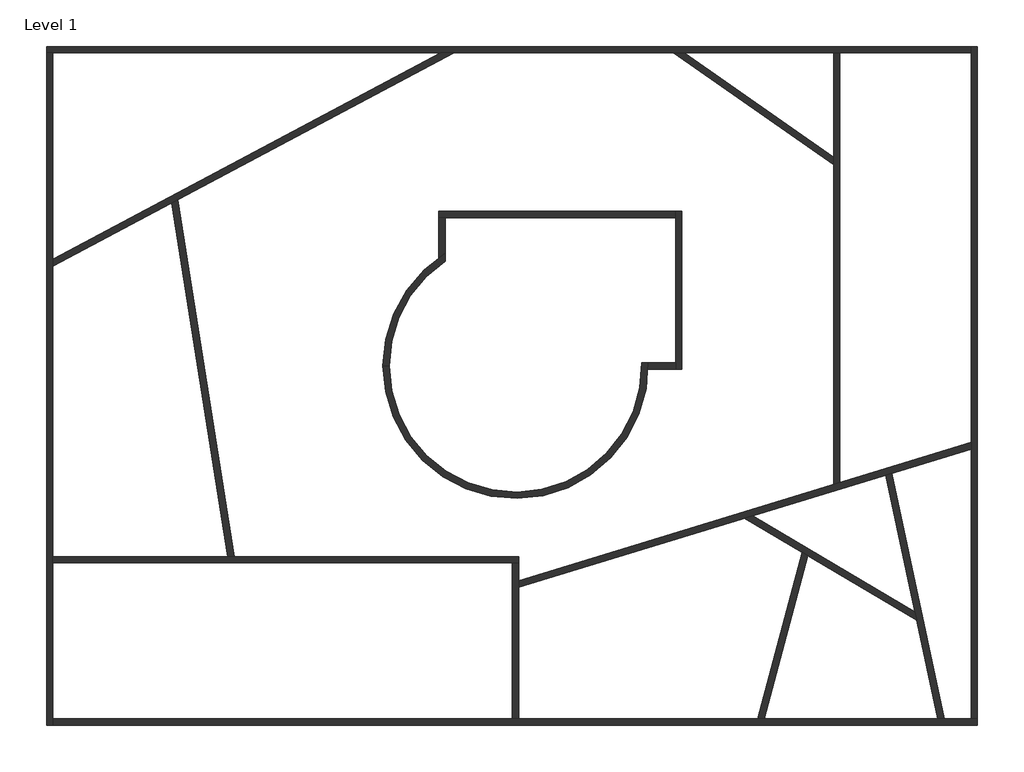
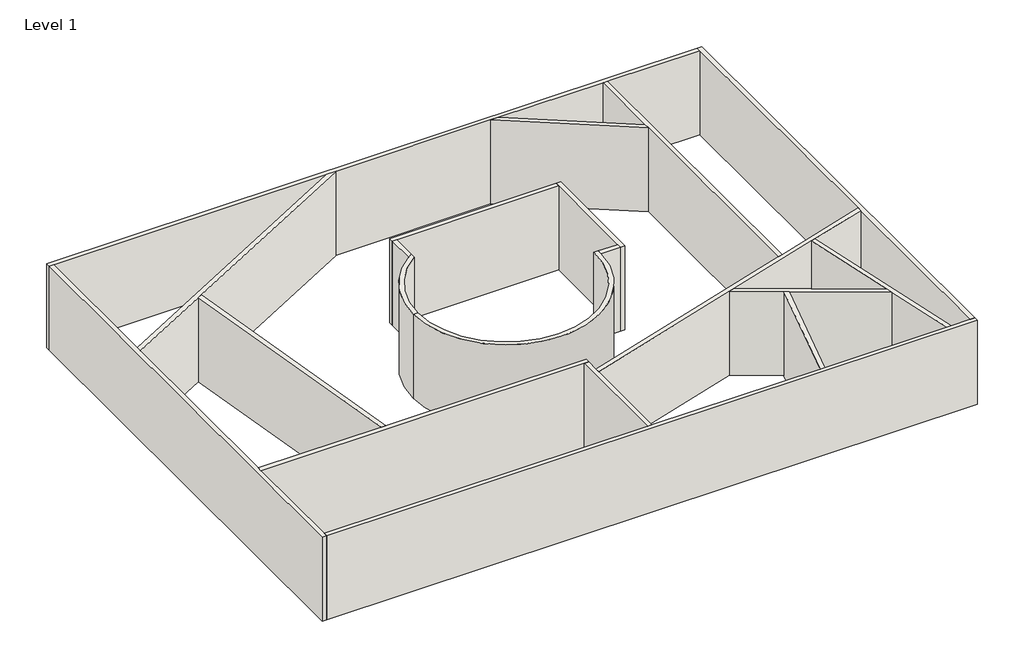
# One storey: 20 walls.
"""IFC4 building model written with IfcOpenShell, lengths in millimetres."""

from ifc_helpers import new_model, si_unit, point, frame, frame_2d, origin, origin_with_axes, place, context, project, spatial, polyline, circle_curve, trimmed, segment, composite_curve, outline, extrude, faceted_brep, element, save
from ifc_brep_helpers import plane_surface, cylinder_surface, revolved_surface, advanced_brep

model = new_model("IFC4")

# Units and contexts
model_context = context("Model", 3, world=origin())
ifc_project = project(units=[si_unit("LENGTHUNIT", "METRE", prefix="MILLI")], contexts=[model_context])

# Site, building, storey
site = spatial("IfcSite", under=ifc_project)
building = spatial("IfcBuilding", under=site)
storey = spatial("IfcBuildingStorey", under=building, Name="Level 1", Elevation=0.0)

# Walls
placement = place(None, origin())
element("IfcWall", 1, ObjectType="Generic - 200mm", at=placement, inside=storey, context=model_context, shape_type="Brep", body=[
    faceted_brep([(-14341.6282668, 7266.9303883, 0.0), (-14141.6282668, 7266.9303883, 0.0), (-1842.7063602, 7266.9303883, 0.0), (-1416.6954665, 7266.9303883, 0.0), (5523.9847703, 7266.9303883, 0.0), (5872.6741294, 7266.9303883, 0.0), (10596.8474734, 7266.9303883, 0.0), (10796.8474734, 7266.9303883, 0.0), (14958.3717332, 7266.9303883, 0.0), (14958.3717332, 7266.9303883, 4000.0), (10796.8474734, 7266.9303883, 4000.0), (10596.8474734, 7266.9303883, 4000.0), (5872.6741294, 7266.9303883, 4000.0), (5523.9847703, 7266.9303883, 4000.0), (-1416.6954665, 7266.9303883, 4000.0), (-1842.7063602, 7266.9303883, 4000.0), (-14141.6282668, 7266.9303883, 4000.0), (-14341.6282668, 7266.9303883, 4000.0), (-14341.6282668, 7466.9303883, 0.0), (-14341.6282668, 7466.9303883, 4000.0), (14958.3717332, 7466.9303883, 4000.0), (14958.3717332, 7466.9303883, 0.0)], [[[0, 1, 2, 3, 4, 5, 6, 7, 8, 9, 10, 11, 12, 13, 14, 15, 16, 17]], [[18, 19, 20, 21]], [[8, 7, 6, 5, 4, 3, 2, 1, 0, 18, 21]], [[17, 16, 15, 14, 13, 12, 11, 10, 9, 20, 19]], [[0, 17, 19, 18]], [[9, 8, 21, 20]]]),
])
element("IfcWall", 2, ObjectType="Generic - 200mm", at=placement, inside=storey, context=model_context, shape_type="Brep", body=[
    faceted_brep([(-14141.6282668, -14033.0696117, 0.0), (-14141.6282668, -13833.0696117, 0.0), (-14141.6282668, -8898.3103197, 0.0), (-14141.6282668, -8698.3103197, 0.0), (-14141.6282668, 500.9636011, 0.0), (-14141.6282668, 727.4776112, 0.0), (-14141.6282668, 7266.9303883, 0.0), (-14141.6282668, 7266.9303883, 4000.0), (-14141.6282668, 727.4776112, 4000.0), (-14141.6282668, 500.9636011, 4000.0), (-14141.6282668, -8698.3103197, 4000.0), (-14141.6282668, -8898.3103197, 4000.0), (-14141.6282668, -13833.0696117, 4000.0), (-14141.6282668, -14033.0696117, 4000.0), (-14341.6282668, -14033.0696117, 0.0), (-14341.6282668, -14033.0696117, 4000.0), (-14341.6282668, 7266.9303883, 4000.0), (-14341.6282668, 7266.9303883, 0.0)], [[[0, 1, 2, 3, 4, 5, 6, 7, 8, 9, 10, 11, 12, 13]], [[14, 15, 16, 17]], [[6, 5, 4, 3, 2, 1, 0, 14, 17]], [[13, 12, 11, 10, 9, 8, 7, 16, 15]], [[0, 13, 15, 14]], [[7, 6, 17, 16]]]),
])
element("IfcWall", 3, ObjectType="Generic - 200mm", at=placement, inside=storey, context=model_context, shape_type="Brep", body=[
    faceted_brep([(15158.3717332, -13833.0696117, 0.0), (14958.3717332, -13833.0696117, 0.0), (14100.4339641, -13833.0696117, 0.0), (13895.9658451, -13833.0696117, 0.0), (8399.0216376, -13833.0696117, 0.0), (8191.9664016, -13833.0696117, 0.0), (618.4460889, -13833.0696117, 0.0), (418.4460889, -13833.0696117, 0.0), (-14141.6282668, -13833.0696117, 0.0), (-14141.6282668, -13833.0696117, 4000.0), (418.4460889, -13833.0696117, 4000.0), (618.4460889, -13833.0696117, 4000.0), (8191.9664016, -13833.0696117, 4000.0), (8399.0216376, -13833.0696117, 4000.0), (13895.9658451, -13833.0696117, 4000.0), (14100.4339641, -13833.0696117, 4000.0), (14958.3717332, -13833.0696117, 4000.0), (15158.3717332, -13833.0696117, 4000.0), (15158.3717332, -14033.0696117, 0.0), (15158.3717332, -14033.0696117, 4000.0), (-14141.6282668, -14033.0696117, 4000.0), (-14141.6282668, -14033.0696117, 0.0)], [[[0, 1, 2, 3, 4, 5, 6, 7, 8, 9, 10, 11, 12, 13, 14, 15, 16, 17]], [[18, 19, 20, 21]], [[8, 7, 6, 5, 4, 3, 2, 1, 0, 18, 21]], [[17, 16, 15, 14, 13, 12, 11, 10, 9, 20, 19]], [[0, 17, 19, 18]], [[9, 8, 21, 20]]]),
])
element("IfcWall", 4, ObjectType="Generic - 200mm", at=placement, inside=storey, context=model_context, shape_type="Brep", body=[
    faceted_brep([(14958.3717332, 7466.9303883, 0.0), (14958.3717332, 7266.9303883, 0.0), (14958.3717332, -5079.0128366, 0.0), (14958.3717332, -5288.1511879, 0.0), (14958.3717332, -13833.0696117, 0.0), (14958.3717332, -13833.0696117, 4000.0), (14958.3717332, -5288.1511879, 4000.0), (14958.3717332, -5079.0128366, 4000.0), (14958.3717332, 7266.9303883, 4000.0), (14958.3717332, 7466.9303883, 4000.0), (15158.3717332, 7466.9303883, 0.0), (15158.3717332, 7466.9303883, 4000.0), (15158.3717332, -13833.0696117, 4000.0), (15158.3717332, -13833.0696117, 0.0)], [[[0, 1, 2, 3, 4, 5, 6, 7, 8, 9]], [[10, 11, 12, 13]], [[4, 3, 2, 1, 0, 10, 13]], [[9, 8, 7, 6, 5, 12, 11]], [[0, 9, 11, 10]], [[5, 4, 13, 12]]]),
])
element("IfcWall", 5, ObjectType="Generic - 200mm", at=placement, inside=storey, context=model_context, shape_type="Brep", body=[
    faceted_brep([(-1842.7063602, 7266.9303883, 0.0), (-14141.6282668, 727.4776112, 0.0), (-14141.6282668, 727.4776112, 4000.0), (-1842.7063602, 7266.9303883, 4000.0), (-1416.6954665, 7266.9303883, 0.0), (-1416.6954665, 7266.9303883, 4000.0), (-10186.2665096, 2604.0667531, 4000.0), (-10373.0312365, 2504.7621863, 4000.0), (-14141.6282668, 500.9636011, 4000.0), (-14141.6282668, 500.9636011, 0.0), (-10373.0312365, 2504.7621863, 0.0), (-10186.2665096, 2604.0667531, 0.0)], [[[0, 1, 2, 3]], [[4, 5, 6, 7, 8, 9, 10, 11]], [[1, 0, 4, 11, 10, 9]], [[3, 2, 8, 7, 6, 5]], [[0, 3, 5, 4]], [[2, 1, 9, 8]]]),
])
element("IfcWall", 6, ObjectType="Generic - 200mm", at=placement, inside=storey, context=model_context, shape_type="SweptSolid", body=[
    extrude(outline(polyline([(-8598.6388677, -8698.3103197), (-10373.0312365, 2504.7621863), (-10186.2665096, 2604.0667531), (-8396.1458426, -8698.3103197), (-8598.6388677, -8698.3103197)])), origin_with_axes(), (0.0, 0.0, 1.0), 4000.0),
])
element("IfcWall", 7, ObjectType="Generic - 200mm", at=placement, inside=storey, context=model_context, shape_type="Brep", body=[
    faceted_brep([(618.4460889, -8698.3103197, 0.0), (-8396.1458426, -8698.3103197, 0.0), (-8598.6388677, -8698.3103197, 0.0), (-14141.6282668, -8698.3103197, 0.0), (-14141.6282668, -8698.3103197, 4000.0), (-8598.6388677, -8698.3103197, 4000.0), (-8396.1458426, -8698.3103197, 4000.0), (618.4460889, -8698.3103197, 4000.0), (618.4460889, -8898.3103197, 0.0), (618.4460889, -8898.3103197, 4000.0), (418.4460889, -8898.3103197, 4000.0), (-14141.6282668, -8898.3103197, 4000.0), (-14141.6282668, -8898.3103197, 0.0), (418.4460889, -8898.3103197, 0.0)], [[[0, 1, 2, 3, 4, 5, 6, 7]], [[8, 9, 10, 11, 12, 13]], [[3, 2, 1, 0, 8, 13, 12]], [[7, 6, 5, 4, 11, 10, 9]], [[4, 3, 12, 11]], [[0, 7, 9, 8]]]),
])
element("IfcWall", 8, ObjectType="Generic - 200mm", at=placement, inside=storey, context=model_context, shape_type="Brep", body=[
    faceted_brep([(418.4460889, -8898.3103197, 0.0), (418.4460889, -13833.0696117, 0.0), (418.4460889, -13833.0696117, 4000.0), (418.4460889, -8898.3103197, 4000.0), (618.4460889, -8898.3103197, 0.0), (618.4460889, -8898.3103197, 4000.0), (618.4460889, -9463.1680759, 4000.0), (618.4460889, -9672.3064272, 4000.0), (618.4460889, -13833.0696117, 4000.0), (618.4460889, -13833.0696117, 0.0), (618.4460889, -9672.3064272, 0.0), (618.4460889, -9463.1680759, 0.0)], [[[0, 1, 2, 3]], [[4, 5, 6, 7, 8, 9, 10, 11]], [[1, 0, 4, 11, 10, 9]], [[3, 2, 8, 7, 6, 5]], [[0, 3, 5, 4]], [[2, 1, 9, 8]]]),
])
element("IfcWall", 9, ObjectType="Generic - 200mm", at=placement, inside=storey, context=model_context, shape_type="Brep", body=[
    faceted_brep([(618.4460889, -9672.3064272, 0.0), (7775.5044804, -7484.1740879, 0.0), (8034.6570072, -7404.9432093, 0.0), (12255.343804, -6114.5497587, 0.0), (12447.3353409, -6055.8520552, 0.0), (14958.3717332, -5288.1511879, 0.0), (14958.3717332, -5288.1511879, 4000.0), (12447.3353409, -6055.8520552, 4000.0), (12255.343804, -6114.5497587, 4000.0), (8034.6570072, -7404.9432093, 4000.0), (7775.5044804, -7484.1740879, 4000.0), (618.4460889, -9672.3064272, 4000.0), (618.4460889, -9463.1680759, 0.0), (618.4460889, -9463.1680759, 4000.0), (10596.8474734, -6412.4646207, 4000.0), (10796.8474734, -6351.3184844, 4000.0), (14958.3717332, -5079.0128366, 4000.0), (14958.3717332, -5079.0128366, 0.0), (10796.8474734, -6351.3184844, 0.0), (10596.8474734, -6412.4646207, 0.0)], [[[0, 1, 2, 3, 4, 5, 6, 7, 8, 9, 10, 11]], [[12, 13, 14, 15, 16, 17, 18, 19]], [[5, 4, 3, 2, 1, 0, 12, 19, 18, 17]], [[11, 10, 9, 8, 7, 6, 16, 15, 14, 13]], [[6, 5, 17, 16]], [[0, 11, 13, 12]]]),
])
element("IfcWall", 10, ObjectType="Generic - 200mm", at=placement, inside=storey, context=model_context, shape_type="Brep", body=[
    faceted_brep([(12255.343804, -6114.5497587, 0.0), (13174.8330575, -10440.406586, 0.0), (13231.2902112, -10706.0166114, 0.0), (13895.9658451, -13833.0696117, 0.0), (13895.9658451, -13833.0696117, 4000.0), (13231.2902112, -10706.0166114, 4000.0), (13174.8330575, -10440.406586, 4000.0), (12255.343804, -6114.5497587, 4000.0), (12447.3353409, -6055.8520552, 0.0), (12447.3353409, -6055.8520552, 4000.0), (14100.4339641, -13833.0696117, 4000.0), (14100.4339641, -13833.0696117, 0.0)], [[[0, 1, 2, 3, 4, 5, 6, 7]], [[8, 9, 10, 11]], [[3, 2, 1, 0, 8, 11]], [[7, 6, 5, 4, 10, 9]], [[4, 3, 11, 10]], [[0, 7, 9, 8]]]),
])
element("IfcWall", 11, ObjectType="Generic - 200mm", at=placement, inside=storey, context=model_context, shape_type="Brep", body=[
    faceted_brep([(13174.8330575, -10440.406586, 0.0), (8034.6570072, -7404.9432093, 0.0), (8034.6570072, -7404.9432093, 4000.0), (13174.8330575, -10440.406586, 4000.0), (13231.2902112, -10706.0166114, 0.0), (13231.2902112, -10706.0166114, 4000.0), (9782.6108528, -8669.444364, 4000.0), (9603.8427809, -8563.8752299, 4000.0), (7775.5044804, -7484.1740879, 4000.0), (7775.5044804, -7484.1740879, 0.0), (9603.8427809, -8563.8752299, 0.0), (9782.6108528, -8669.444364, 0.0)], [[[0, 1, 2, 3]], [[4, 5, 6, 7, 8, 9, 10, 11]], [[1, 0, 4, 11, 10, 9]], [[3, 2, 8, 7, 6, 5]], [[2, 1, 9, 8]], [[0, 3, 5, 4]]]),
])
element("IfcWall", 12, ObjectType="Generic - 200mm", at=placement, inside=storey, context=model_context, shape_type="SweptSolid", body=[
    extrude(outline(polyline([(8191.9664016, -13833.0696117), (9603.8427809, -8563.8752299), (9782.6108528, -8669.444364), (8399.0216376, -13833.0696117), (8191.9664016, -13833.0696117)])), origin_with_axes(), (0.0, 0.0, 1.0), 4000.0),
])
element("IfcWall", 13, ObjectType="Generic - 200mm", at=placement, inside=storey, context=model_context, shape_type="Brep", body=[
    faceted_brep([(10796.8474734, -6351.3184844, 0.0), (10796.8474734, 7266.9303883, 0.0), (10796.8474734, 7266.9303883, 4000.0), (10796.8474734, -6351.3184844, 4000.0), (10596.8474734, -6412.4646207, 0.0), (10596.8474734, -6412.4646207, 4000.0), (10596.8474734, 3714.8736832, 4000.0), (10596.8474734, 3959.028601, 4000.0), (10596.8474734, 7266.9303883, 4000.0), (10596.8474734, 7266.9303883, 0.0), (10596.8474734, 3959.028601, 0.0), (10596.8474734, 3714.8736832, 0.0)], [[[0, 1, 2, 3]], [[4, 5, 6, 7, 8, 9, 10, 11]], [[1, 0, 4, 11, 10, 9]], [[3, 2, 8, 7, 6, 5]], [[2, 1, 9, 8]], [[0, 3, 5, 4]]]),
])
element("IfcWall", 14, ObjectType="Generic - 200mm", at=placement, inside=storey, context=model_context, shape_type="SweptSolid", body=[
    extrude(outline(polyline([(5872.6741294, 7266.9303883), (10596.8474734, 3959.028601), (10596.8474734, 3714.8736832), (5523.9847703, 7266.9303883), (5872.6741294, 7266.9303883)])), origin_with_axes(), (0.0, 0.0, 1.0), 4000.0),
])
element("IfcWall", 15, ObjectType="Generic - 200mm", at=placement, inside=storey, context=model_context, shape_type="Brep", body=[
    faceted_brep([(-1905.9624626, 2046.2580358, 0.0), (-1705.9624626, 2046.2580358, 0.0), (5594.0375374, 2046.2580358, 0.0), (5594.0375374, 2046.2580358, 4000.0), (-1705.9624626, 2046.2580358, 4000.0), (-1905.9624626, 2046.2580358, 4000.0), (-1905.9624626, 2246.2580358, 0.0), (-1905.9624626, 2246.2580358, 4000.0), (5594.0375374, 2246.2580358, 4000.0), (5594.0375374, 2246.2580358, 0.0)], [[[0, 1, 2, 3, 4, 5]], [[6, 7, 8, 9]], [[2, 1, 0, 6, 9]], [[5, 4, 3, 8, 7]], [[0, 5, 7, 6]], [[3, 2, 9, 8]]]),
])
element("IfcWall", 16, ObjectType="Generic - 200mm", at=placement, inside=storey, context=model_context, shape_type="SweptSolid", body=[
    extrude(outline(composite_curve([segment(polyline([(-1705.9624626, 2046.2580358), (-1705.9624626, 908.8422938)]), True, "CONTINUOUS"), segment(trimmed(circle_curve(frame_2d((518.4460889, -2653.7419642)), 4200.0), [point((-1705.9624626, 908.8422938))], [point((-1905.9624626, 775.8707217))], True, "CARTESIAN"), True, "CONTINUOUS"), segment(polyline([(-1905.9624626, 775.8707217), (-1905.9624626, 2046.2580358), (-1705.9624626, 2046.2580358)]), True, "CONTINUOUS")], self_intersect=False)), origin_with_axes(), (0.0, 0.0, 1.0), 4000.0),
])
element("IfcWall", 17, ObjectType="Generic - 200mm", at=placement, inside=storey, context=model_context, shape_type="SweptSolid", body=[
    extrude(outline(composite_curve([segment(polyline([(4717.2554439, -2553.7419642), (5594.0375374, -2553.7419642), (5594.0375374, -2753.7419642), (4717.2554439, -2753.7419642)]), True, "CONTINUOUS"), segment(trimmed(circle_curve(frame_2d((518.4460889, -2653.7419642)), 4200.0), [point((4717.2554439, -2753.7419642))], [point((4717.2554439, -2553.7419642))], True, "CARTESIAN"), True, "CONTINUOUS")], self_intersect=False)), origin_with_axes(), (0.0, 0.0, 1.0), 4000.0),
])
element("IfcWall", 18, ObjectType="Generic - 200mm", at=placement, inside=storey, context=model_context, shape_type="Brep", body=[
    faceted_brep([(5594.0375374, 2246.2580358, 0.0), (5594.0375374, 2046.2580358, 0.0), (5594.0375374, -2553.7419642, 0.0), (5594.0375374, -2753.7419642, 0.0), (5594.0375374, -2753.7419642, 4000.0), (5594.0375374, -2553.7419642, 4000.0), (5594.0375374, 2046.2580358, 4000.0), (5594.0375374, 2246.2580358, 4000.0), (5794.0375374, 2246.2580358, 0.0), (5794.0375374, 2246.2580358, 4000.0), (5794.0375374, -2753.7419642, 4000.0), (5794.0375374, -2753.7419642, 0.0)], [[[0, 1, 2, 3, 4, 5, 6, 7]], [[8, 9, 10, 11]], [[3, 2, 1, 0, 8, 11]], [[7, 6, 5, 4, 10, 9]], [[0, 7, 9, 8]], [[4, 3, 11, 10]]]),
])
element("IfcWall", 19, ObjectType="Generic - 200mm", at=placement, inside=storey, context=model_context, shape_type="AdvancedBrep", body=[
    advanced_brep(
    [(-3481.5539111, -2653.7419642, 4000.0), (-1705.9624626, 670.7138703, 4000.0), (-1705.9624626, 908.8422938, 4000.0), (-1905.9624626, 775.8707217, 4000.0), (-3681.5539111, -2653.7419642, 4000.0), (-1705.9624626, 670.7138703, 0.0), (-3481.5539111, -2653.7419642, 0.0), (-3681.5539111, -2653.7419642, 0.0), (-1905.9624626, 775.8707217, 0.0), (-1705.9624626, 908.8422938, 0.0)],
    [
        (0, 1, circle_curve(frame((518.4460889, -2653.7419642, 4000.0), z_axis=(0.0, 0.0, -1.0), x_axis=(1.0, 0.0, 0.0)), 4000.0)),
        (1, 2),
        (2, 3, circle_curve(frame((518.4460889, -2653.7419642, 4000.0), z_axis=(0.0, 0.0, 1.0), x_axis=(1.0, 0.0, 0.0)), 4200.0)),
        (3, 4, circle_curve(frame((518.4460889, -2653.7419642, 4000.0), z_axis=(0.0, 0.0, 1.0), x_axis=(1.0, 0.0, 0.0)), 4200.0)),
        (4, 0),
        (5, 6, circle_curve(frame((518.4460889, -2653.7419642, 0.0), z_axis=(0.0, 0.0, 1.0), x_axis=(1.0, 0.0, 0.0)), 4000.0)),
        (6, 7),
        (7, 8, circle_curve(frame((518.4460889, -2653.7419642, 0.0), z_axis=(0.0, 0.0, -1.0), x_axis=(1.0, 0.0, 0.0)), 4200.0)),
        (8, 9, circle_curve(frame((518.4460889, -2653.7419642, 0.0), z_axis=(0.0, 0.0, -1.0), x_axis=(1.0, 0.0, 0.0)), 4200.0)),
        (9, 5),
        (0, 6),
        (5, 1),
        (7, 4),
        (2, 9),
    ],
    [
        plane_surface(frame((4518.4460889, -2653.7419642, 4000.0), z_axis=(0.0, 0.0, 1.0), x_axis=(0.0, -1.0, 0.0))),
        plane_surface(frame((4518.4460889, -2653.7419642, 0.0), z_axis=(0.0, 0.0, -1.0), x_axis=(0.0, 1.0, 0.0))),
        revolved_surface(polyline([(4518.4460889, -2653.7419642, 0.0), (4518.4460889, -2653.7419642, 4000.0)]), (518.4460889, -2653.7419642, 0.0), (0.0, 0.0, -1.0)),
        cylinder_surface(frame((518.4460889, -2653.7419642, 0.0), z_axis=(0.0, 0.0, 1.0), x_axis=(1.0, 0.0, 0.0)), 4200.0),
        plane_surface(frame((-3681.5539111, -2653.7419642, 4000.0), z_axis=(0.0, -1.0, 0.0), x_axis=(0.0, 0.0, -1.0))),
        plane_surface(frame((-1705.9624626, 1346.2580358, 0.0), z_axis=(1.0, 0.0, 0.0), x_axis=(0.0, 1.0, 0.0))),
    ],
    [
        (0, [[1, 2, 3, 4, 5]]),
        (1, [[6, 7, 8, 9, 10]]),
        (2, [[-1, 11, -6, 12]]),
        (3, [[13, -4, -3, 14, -9, -8]]),
        (4, [[-5, -13, -7, -11]]),
        (5, [[-2, -12, -10, -14]]),
    ],
),
])
element("IfcWall", 20, ObjectType="Generic - 200mm", at=placement, inside=storey, context=model_context, shape_type="AdvancedBrep", body=[
    advanced_brep(
    [(4517.1958935, -2553.7419642, 4000.0), (-3481.5539111, -2653.7419642, 4000.0), (-3681.5539111, -2653.7419642, 4000.0), (4717.2550301, -2753.7562164, 4000.0), (4717.2554439, -2553.7419642, 4000.0), (4517.1958935, -2553.7419642, 0.0), (4717.2554439, -2553.7419642, 0.0), (4717.2550301, -2753.7562164, 0.0), (-3681.5539111, -2653.7419642, 0.0), (-3481.5539111, -2653.7419642, 0.0)],
    [
        (0, 1, circle_curve(frame((518.4460889, -2653.7419642, 4000.0), z_axis=(0.0, 0.0, -1.0), x_axis=(1.0, 0.0, 0.0)), 4000.0)),
        (1, 2),
        (2, 3, circle_curve(frame((518.4460889, -2653.7419642, 4000.0), z_axis=(0.0, 0.0, 1.0), x_axis=(1.0, 0.0, 0.0)), 4200.0)),
        (3, 4, circle_curve(frame((518.4460889, -2653.7419642, 4000.0), z_axis=(0.0, 0.0, 1.0), x_axis=(1.0, 0.0, 0.0)), 4199.9999257)),
        (4, 0),
        (5, 6),
        (6, 7, circle_curve(frame((518.4460889, -2653.7419642, 0.0), z_axis=(0.0, 0.0, -1.0), x_axis=(1.0, 0.0, 0.0)), 4200.0)),
        (7, 8, circle_curve(frame((518.4460889, -2653.7419642, 0.0), z_axis=(0.0, 0.0, -1.0), x_axis=(1.0, 0.0, 0.0)), 4199.9999257)),
        (8, 9),
        (9, 5, circle_curve(frame((518.4460889, -2653.7419642, 0.0), z_axis=(0.0, 0.0, 1.0), x_axis=(1.0, 0.0, 0.0)), 4000.0)),
        (0, 5),
        (9, 1),
        (8, 2),
        (6, 4),
    ],
    [
        plane_surface(frame((4518.4460889, -2653.7419642, 4000.0), z_axis=(0.0, 0.0, 1.0), x_axis=(0.0, -1.0, 0.0))),
        plane_surface(frame((4518.4460889, -2653.7419642, 0.0), z_axis=(0.0, 0.0, -1.0), x_axis=(0.0, 1.0, 0.0))),
        revolved_surface(polyline([(4518.4460889, -2653.7419642, 0.0), (4518.4460889, -2653.7419642, 4000.0)]), (518.4460889, -2653.7419642, 0.0), (0.0, 0.0, -1.0)),
        plane_surface(frame((-3481.5539111, -2653.7419642, 4000.0), z_axis=(0.0, 1.0, 0.0), x_axis=(0.0, 0.0, -1.0))),
        cylinder_surface(frame((518.4460889, -2653.7419642, 0.0), z_axis=(0.0, 0.0, 1.0), x_axis=(1.0, 0.0, 0.0)), 4200.0),
        plane_surface(frame((5694.0375374, -2553.7419642, 0.0), z_axis=(0.0, 1.0, 0.0), x_axis=(-1.0, 0.0, 0.0))),
    ],
    [
        (0, [[1, 2, 3, 4, 5]]),
        (1, [[6, 7, 8, 9, 10]]),
        (2, [[-1, 11, -10, 12]]),
        (3, [[-2, -12, -9, 13]]),
        (4, [[-4, -3, -13, -8, -7, 14]]),
        (5, [[-5, -14, -6, -11]]),
    ],
),
])

save(model, "model.ifc")
